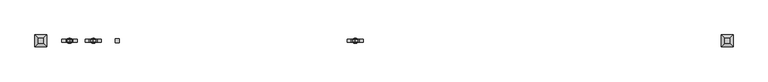
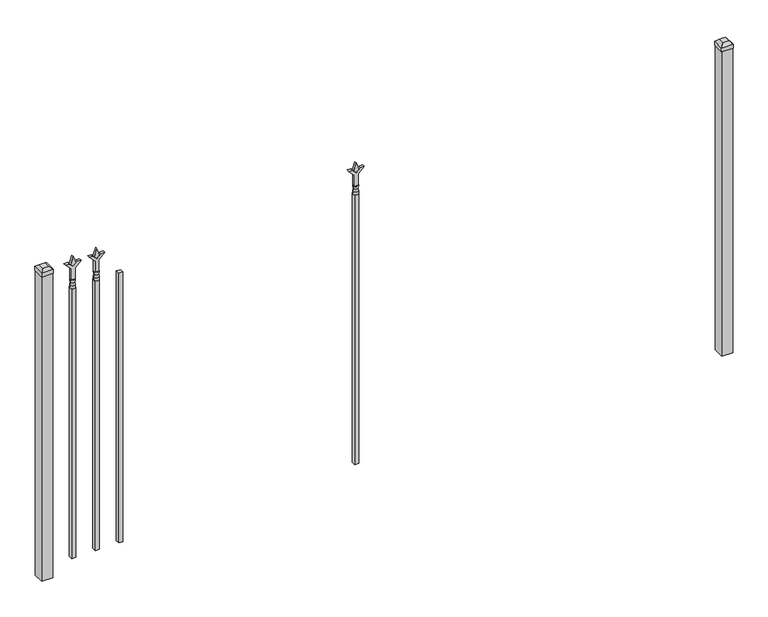
"""IFC4 building model written with IfcOpenShell, lengths in millimetres: railing geometry."""

from ifc_helpers import new_model, si_unit, frame, origin, origin_with_axes, place, context, project, spatial, polyline, circle_curve, outline, extrude, faceted_brep, source, transform, mapped, element, save
from ifc_brep_helpers import plane_surface, cylinder_surface, revolved_surface, advanced_brep


def railing_3509b1d0(model_context):
    return source(origin(), model_context, "Body", "SolidModel", [
        extrude(outline(polyline([(-73196.5347536, 5470.2679826), (-73177.4847536, 5470.2679826), (-73177.4847536, 5451.2179826), (-73196.5347536, 5451.2179826), (-73196.5347536, 5470.2679826)])), frame((0.0, 0.0, 50.8), z_axis=(0.0, 0.0, 1.0), x_axis=(1.0, 0.0, 0.0)), (0.0, 0.0, 1.0), 1320.8),
        extrude(outline(polyline([(1488.28125, -73284.3764203), (1524.0, -73296.2826703), (1488.28125, -73308.1889203), (1476.375, -73296.2826703), (1488.28125, -73284.3764203)])), frame((0.0, 5455.9804826, 0.0), z_axis=(0.0, 1.0, 0.0), x_axis=(0.0, 0.0, 1.0)), (0.0, 0.0, 1.0), 9.525),
        extrude(outline(polyline([(1412.875, -73287.5514203), (1467.1457378, -73287.5514203), (1494.3355122, -73260.3616458), (1494.3355122, -73278.3221581), (1476.375, -73296.2826703), (1494.3355122, -73314.2431825), (1494.3355122, -73332.2036948), (1467.1457378, -73305.0139203), (1412.875, -73305.0139203), (1412.875, -73287.5514203)])), frame((0.0, 5454.3929826, 0.0), z_axis=(0.0, 1.0, 0.0), x_axis=(0.0, 0.0, 1.0)), (0.0, 0.0, 1.0), 12.7),
        advanced_brep(
        [(-73284.3764203, 5460.7429826, 1384.3), (-73308.1889203, 5460.7429826, 1384.3), (-73308.1889203, 5460.7429826, 1371.6), (-73284.3764203, 5460.7429826, 1371.6), (-73286.5817522, 5460.7429826, 1396.8070585), (-73305.9835884, 5460.7429826, 1396.8070585), (-73284.3764203, 5460.7429826, 1412.875), (-73308.1889203, 5460.7429826, 1412.875), (-73296.2826703, 5460.7429826, 1412.875), (-73296.2826703, 5460.7429826, 1371.6)],
        [
            (0, 1, circle_curve(frame((-73296.2826703, 5460.7429826, 1384.3), z_axis=(0.0, 0.0, -1.0), x_axis=(-1.0, 0.0, 0.0)), 11.90625)),
            (1, 2),
            (2, 3, circle_curve(frame((-73296.2826703, 5460.7429826, 1371.6), z_axis=(0.0, 0.0, 1.0), x_axis=(-1.0, 0.0, 0.0)), 11.90625)),
            (3, 0),
            (1, 0, circle_curve(frame((-73296.2826703, 5460.7429826, 1384.3), z_axis=(0.0, 0.0, -1.0), x_axis=(-1.0, 0.0, 0.0)), 11.90625)),
            (3, 2, circle_curve(frame((-73296.2826703, 5460.7429826, 1371.6), z_axis=(0.0, 0.0, 1.0), x_axis=(-1.0, 0.0, 0.0)), 11.90625)),
            (4, 5, circle_curve(frame((-73296.2826703, 5460.7429826, 1396.8070585), z_axis=(0.0, 0.0, -1.0), x_axis=(-1.0, 0.0, 0.0)), 9.7009181)),
            (5, 1),
            (0, 4),
            (5, 4, circle_curve(frame((-73296.2826703, 5460.7429826, 1396.8070585), z_axis=(0.0, 0.0, -1.0), x_axis=(-1.0, 0.0, 0.0)), 9.7009181)),
            (6, 7, circle_curve(frame((-73296.2826703, 5460.7429826, 1412.875), z_axis=(0.0, 0.0, -1.0), x_axis=(-1.0, 0.0, 0.0)), 11.90625)),
            (7, 5),
            (4, 6),
            (7, 6, circle_curve(frame((-73296.2826703, 5460.7429826, 1412.875), z_axis=(0.0, 0.0, -1.0), x_axis=(-1.0, 0.0, 0.0)), 11.90625)),
            (8, 7),
            (6, 8),
            (2, 9),
            (9, 3),
        ],
        [
            cylinder_surface(frame((-73296.2826703, 5460.7429826, 1371.6), z_axis=(0.0, 0.0, 1.0), x_axis=(-1.0, 0.0, 0.0)), 11.90625),
            revolved_surface(polyline([(-73308.1889203, 5460.7429826, 1384.3), (-73305.9835884, 5460.7429826, 1396.8070585)]), (-73296.2826703, 5460.7429826, 1371.6), (0.0, 0.0, 1.0)),
            revolved_surface(polyline([(-73305.9835884, 5460.7429826, 1396.8070585), (-73308.1889203, 5460.7429826, 1412.875)]), (-73296.2826703, 5460.7429826, 1371.6), (0.0, 0.0, 1.0)),
            plane_surface(frame((-73296.2826703, 5460.7429826, 1412.875), z_axis=(0.0, 0.0, 1.0), x_axis=(-1.0, 0.0, 0.0))),
            plane_surface(frame((-73296.2826703, 5460.7429826, 1371.6), z_axis=(0.0, 0.0, -1.0), x_axis=(-1.0, 0.0, 0.0))),
        ],
        [
            (0, [[1, 2, 3, 4]]),
            (0, [[5, -4, 6, -2]]),
            (1, [[7, 8, -1, 9]]),
            (1, [[10, -9, -5, -8]]),
            (2, [[11, 12, -7, 13]]),
            (2, [[14, -13, -10, -12]]),
            (3, [[15, -11, 16]]),
            (3, [[-16, -14, -15]]),
            (4, [[-3, 17, 18]]),
            (4, [[-6, -18, -17]]),
        ],
    ),
        extrude(outline(polyline([(-73305.8076703, 5470.2679826), (-73286.7576703, 5470.2679826), (-73286.7576703, 5451.2179826), (-73305.8076703, 5451.2179826), (-73305.8076703, 5470.2679826)])), frame((0.0, 0.0, 50.8), z_axis=(0.0, 0.0, 1.0), x_axis=(1.0, 0.0, 0.0)), (0.0, 0.0, 1.0), 1320.8),
        extrude(outline(polyline([(1488.28125, -72082.374337), (1524.0, -72094.280587), (1488.28125, -72106.186837), (1476.375, -72094.280587), (1488.28125, -72082.374337)])), frame((0.0, 5455.9804826, 0.0), z_axis=(0.0, 1.0, 0.0), x_axis=(0.0, 0.0, 1.0)), (0.0, 0.0, 1.0), 9.525),
        extrude(outline(polyline([(1412.875, -72085.549337), (1467.1457378, -72085.549337), (1494.3355122, -72058.3595625), (1494.3355122, -72076.3200747), (1476.375, -72094.280587), (1494.3355122, -72112.2410992), (1494.3355122, -72130.2016114), (1467.1457378, -72103.011837), (1412.875, -72103.011837), (1412.875, -72085.549337)])), frame((0.0, 5454.3929826, 0.0), z_axis=(0.0, 1.0, 0.0), x_axis=(0.0, 0.0, 1.0)), (0.0, 0.0, 1.0), 12.7),
        advanced_brep(
        [(-72082.374337, 5460.7429826, 1384.3), (-72106.186837, 5460.7429826, 1384.3), (-72106.186837, 5460.7429826, 1371.6), (-72082.374337, 5460.7429826, 1371.6), (-72084.5796688, 5460.7429826, 1396.8070585), (-72103.9815051, 5460.7429826, 1396.8070585), (-72082.374337, 5460.7429826, 1412.875), (-72106.186837, 5460.7429826, 1412.875), (-72094.280587, 5460.7429826, 1412.875), (-72094.280587, 5460.7429826, 1371.6)],
        [
            (0, 1, circle_curve(frame((-72094.280587, 5460.7429826, 1384.3), z_axis=(0.0, 0.0, -1.0), x_axis=(-1.0, 0.0, 0.0)), 11.90625)),
            (1, 2),
            (2, 3, circle_curve(frame((-72094.280587, 5460.7429826, 1371.6), z_axis=(0.0, 0.0, 1.0), x_axis=(-1.0, 0.0, 0.0)), 11.90625)),
            (3, 0),
            (1, 0, circle_curve(frame((-72094.280587, 5460.7429826, 1384.3), z_axis=(0.0, 0.0, -1.0), x_axis=(-1.0, 0.0, 0.0)), 11.90625)),
            (3, 2, circle_curve(frame((-72094.280587, 5460.7429826, 1371.6), z_axis=(0.0, 0.0, 1.0), x_axis=(-1.0, 0.0, 0.0)), 11.90625)),
            (4, 5, circle_curve(frame((-72094.280587, 5460.7429826, 1396.8070585), z_axis=(0.0, 0.0, -1.0), x_axis=(-1.0, 0.0, 0.0)), 9.7009181)),
            (5, 1),
            (0, 4),
            (5, 4, circle_curve(frame((-72094.280587, 5460.7429826, 1396.8070585), z_axis=(0.0, 0.0, -1.0), x_axis=(-1.0, 0.0, 0.0)), 9.7009181)),
            (6, 7, circle_curve(frame((-72094.280587, 5460.7429826, 1412.875), z_axis=(0.0, 0.0, -1.0), x_axis=(-1.0, 0.0, 0.0)), 11.90625)),
            (7, 5),
            (4, 6),
            (7, 6, circle_curve(frame((-72094.280587, 5460.7429826, 1412.875), z_axis=(0.0, 0.0, -1.0), x_axis=(-1.0, 0.0, 0.0)), 11.90625)),
            (8, 7),
            (6, 8),
            (2, 9),
            (9, 3),
        ],
        [
            cylinder_surface(frame((-72094.280587, 5460.7429826, 1371.6), z_axis=(0.0, 0.0, 1.0), x_axis=(-1.0, 0.0, 0.0)), 11.90625),
            revolved_surface(polyline([(-72106.186837, 5460.7429826, 1384.3), (-72103.9815051, 5460.7429826, 1396.8070585)]), (-72094.280587, 5460.7429826, 1371.6), (0.0, 0.0, 1.0)),
            revolved_surface(polyline([(-72103.9815051, 5460.7429826, 1396.8070585), (-72106.186837, 5460.7429826, 1412.875)]), (-72094.280587, 5460.7429826, 1371.6), (0.0, 0.0, 1.0)),
            plane_surface(frame((-72094.280587, 5460.7429826, 1412.875), z_axis=(0.0, 0.0, 1.0), x_axis=(-1.0, 0.0, 0.0))),
            plane_surface(frame((-72094.280587, 5460.7429826, 1371.6), z_axis=(0.0, 0.0, -1.0), x_axis=(-1.0, 0.0, 0.0))),
        ],
        [
            (0, [[1, 2, 3, 4]]),
            (0, [[5, -4, 6, -2]]),
            (1, [[7, 8, -1, 9]]),
            (1, [[10, -9, -5, -8]]),
            (2, [[11, 12, -7, 13]]),
            (2, [[14, -13, -10, -12]]),
            (3, [[15, -11, 16]]),
            (3, [[-16, -14, -15]]),
            (4, [[-3, 17, 18]]),
            (4, [[-6, -18, -17]]),
        ],
    ),
        extrude(outline(polyline([(-72103.805587, 5470.2679826), (-72084.755587, 5470.2679826), (-72084.755587, 5451.2179826), (-72103.805587, 5451.2179826), (-72103.805587, 5470.2679826)])), frame((0.0, 0.0, 50.8), z_axis=(0.0, 0.0, 1.0), x_axis=(1.0, 0.0, 0.0)), (0.0, 0.0, 1.0), 1320.8),
        extrude(outline(polyline([(1488.28125, -73393.649337), (1524.0, -73405.555587), (1488.28125, -73417.461837), (1476.375, -73405.555587), (1488.28125, -73393.649337)])), frame((0.0, 5455.9804826, 0.0), z_axis=(0.0, 1.0, 0.0), x_axis=(0.0, 0.0, 1.0)), (0.0, 0.0, 1.0), 9.525),
        extrude(outline(polyline([(1412.875, -73396.824337), (1467.1457378, -73396.824337), (1494.3355122, -73369.6345625), (1494.3355122, -73387.5950747), (1476.375, -73405.555587), (1494.3355122, -73423.5160992), (1494.3355122, -73441.4766114), (1467.1457378, -73414.286837), (1412.875, -73414.286837), (1412.875, -73396.824337)])), frame((0.0, 5454.3929826, 0.0), z_axis=(0.0, 1.0, 0.0), x_axis=(0.0, 0.0, 1.0)), (0.0, 0.0, 1.0), 12.7),
        advanced_brep(
        [(-73393.649337, 5460.7429826, 1384.3), (-73417.461837, 5460.7429826, 1384.3), (-73417.461837, 5460.7429826, 1371.6), (-73393.649337, 5460.7429826, 1371.6), (-73395.8546688, 5460.7429826, 1396.8070585), (-73415.2565051, 5460.7429826, 1396.8070585), (-73393.649337, 5460.7429826, 1412.875), (-73417.461837, 5460.7429826, 1412.875), (-73405.555587, 5460.7429826, 1412.875), (-73405.555587, 5460.7429826, 1371.6)],
        [
            (0, 1, circle_curve(frame((-73405.555587, 5460.7429826, 1384.3), z_axis=(0.0, 0.0, -1.0), x_axis=(-1.0, 0.0, 0.0)), 11.90625)),
            (1, 2),
            (2, 3, circle_curve(frame((-73405.555587, 5460.7429826, 1371.6), z_axis=(0.0, 0.0, 1.0), x_axis=(-1.0, 0.0, 0.0)), 11.90625)),
            (3, 0),
            (1, 0, circle_curve(frame((-73405.555587, 5460.7429826, 1384.3), z_axis=(0.0, 0.0, -1.0), x_axis=(-1.0, 0.0, 0.0)), 11.90625)),
            (3, 2, circle_curve(frame((-73405.555587, 5460.7429826, 1371.6), z_axis=(0.0, 0.0, 1.0), x_axis=(-1.0, 0.0, 0.0)), 11.90625)),
            (4, 5, circle_curve(frame((-73405.555587, 5460.7429826, 1396.8070585), z_axis=(0.0, 0.0, -1.0), x_axis=(-1.0, 0.0, 0.0)), 9.7009181)),
            (5, 1),
            (0, 4),
            (5, 4, circle_curve(frame((-73405.555587, 5460.7429826, 1396.8070585), z_axis=(0.0, 0.0, -1.0), x_axis=(-1.0, 0.0, 0.0)), 9.7009181)),
            (6, 7, circle_curve(frame((-73405.555587, 5460.7429826, 1412.875), z_axis=(0.0, 0.0, -1.0), x_axis=(-1.0, 0.0, 0.0)), 11.90625)),
            (7, 5),
            (4, 6),
            (7, 6, circle_curve(frame((-73405.555587, 5460.7429826, 1412.875), z_axis=(0.0, 0.0, -1.0), x_axis=(-1.0, 0.0, 0.0)), 11.90625)),
            (8, 7),
            (6, 8),
            (2, 9),
            (9, 3),
        ],
        [
            cylinder_surface(frame((-73405.555587, 5460.7429826, 1371.6), z_axis=(0.0, 0.0, 1.0), x_axis=(-1.0, 0.0, 0.0)), 11.90625),
            revolved_surface(polyline([(-73417.461837, 5460.7429826, 1384.3), (-73415.2565051, 5460.7429826, 1396.8070585)]), (-73405.555587, 5460.7429826, 1371.6), (0.0, 0.0, 1.0)),
            revolved_surface(polyline([(-73415.2565051, 5460.7429826, 1396.8070585), (-73417.461837, 5460.7429826, 1412.875)]), (-73405.555587, 5460.7429826, 1371.6), (0.0, 0.0, 1.0)),
            plane_surface(frame((-73405.555587, 5460.7429826, 1412.875), z_axis=(0.0, 0.0, 1.0), x_axis=(-1.0, 0.0, 0.0))),
            plane_surface(frame((-73405.555587, 5460.7429826, 1371.6), z_axis=(0.0, 0.0, -1.0), x_axis=(-1.0, 0.0, 0.0))),
        ],
        [
            (0, [[1, 2, 3, 4]]),
            (0, [[5, -4, 6, -2]]),
            (1, [[7, 8, -1, 9]]),
            (1, [[10, -9, -5, -8]]),
            (2, [[11, 12, -7, 13]]),
            (2, [[14, -13, -10, -12]]),
            (3, [[15, -11, 16]]),
            (3, [[-16, -14, -15]]),
            (4, [[-3, 17, 18]]),
            (4, [[-6, -18, -17]]),
        ],
    ),
        extrude(outline(polyline([(-73415.080587, 5470.2679826), (-73396.030587, 5470.2679826), (-73396.030587, 5451.2179826), (-73415.080587, 5451.2179826), (-73415.080587, 5470.2679826)])), frame((0.0, 0.0, 50.8), z_axis=(0.0, 0.0, 1.0), x_axis=(1.0, 0.0, 0.0)), (0.0, 0.0, 1.0), 1320.8),
        extrude(outline(polyline([(-70362.318087, 5486.1429826), (-70362.318087, 5435.3429826), (-70413.118087, 5435.3429826), (-70413.118087, 5486.1429826), (-70362.318087, 5486.1429826)])), origin_with_axes(), (0.0, 0.0, 1.0), 1492.25),
        faceted_brep([(-70414.705587, 5487.7304826, 1511.3), (-70414.705587, 5487.7304826, 1492.25), (-70414.705587, 5433.7554826, 1492.25), (-70414.705587, 5433.7554826, 1511.3), (-70402.005587, 5475.0304826, 1524.0), (-70402.005587, 5446.4554826, 1524.0), (-70360.730587, 5433.7554826, 1492.25), (-70360.730587, 5433.7554826, 1511.3), (-70373.430587, 5446.4554826, 1524.0), (-70360.730587, 5487.7304826, 1492.25), (-70360.730587, 5487.7304826, 1511.3), (-70373.430587, 5475.0304826, 1524.0)], [[[0, 1, 2, 3]], [[4, 0, 3, 5]], [[3, 2, 6, 7]], [[5, 3, 7, 8]], [[7, 6, 9, 10]], [[8, 7, 10, 11]], [[10, 9, 1, 0]], [[11, 10, 0, 4]], [[5, 8, 11, 4]], [[1, 9, 6, 2]]]),
        extrude(outline(polyline([(-73511.918087, 5486.1429826), (-73511.918087, 5435.3429826), (-73562.718087, 5435.3429826), (-73562.718087, 5486.1429826), (-73511.918087, 5486.1429826)])), origin_with_axes(), (0.0, 0.0, 1.0), 1492.25),
        faceted_brep([(-73564.305587, 5487.7304826, 1511.3), (-73564.305587, 5487.7304826, 1492.25), (-73564.305587, 5433.7554826, 1492.25), (-73564.305587, 5433.7554826, 1511.3), (-73551.605587, 5475.0304826, 1524.0), (-73551.605587, 5446.4554826, 1524.0), (-73510.330587, 5433.7554826, 1492.25), (-73510.330587, 5433.7554826, 1511.3), (-73523.030587, 5446.4554826, 1524.0), (-73510.330587, 5487.7304826, 1492.25), (-73510.330587, 5487.7304826, 1511.3), (-73523.030587, 5475.0304826, 1524.0)], [[[0, 1, 2, 3]], [[4, 0, 3, 5]], [[3, 2, 6, 7]], [[5, 3, 7, 8]], [[7, 6, 9, 10]], [[8, 7, 10, 11]], [[10, 9, 1, 0]], [[11, 10, 0, 4]], [[5, 8, 11, 4]], [[1, 9, 6, 2]]]),
    ])


if __name__ == "__main__":
    model = new_model("IFC4")
    model_context = context("Model", 3, world=origin())
    ifc_project = project(units=[si_unit("LENGTHUNIT", "METRE", prefix="MILLI")], contexts=[model_context])
    site = spatial("IfcSite", under=ifc_project)
    building = spatial("IfcBuilding", under=site)
    placement = place(None, origin())
    railing_shape = railing_3509b1d0(model_context)
    element("IfcRailing", 1, at=placement, inside=building, context=model_context, shape_type="MappedRepresentation", body=[
        mapped(railing_shape, transform((0.0, 0.0, 0.0), x_axis=(1.0, 0.0, 0.0), y_axis=(0.0, 1.0, 0.0), z_axis=(0.0, 0.0, 1.0))),
    ])
    save(model, "model.ifc")
